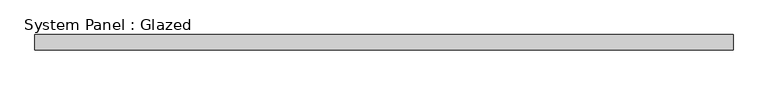
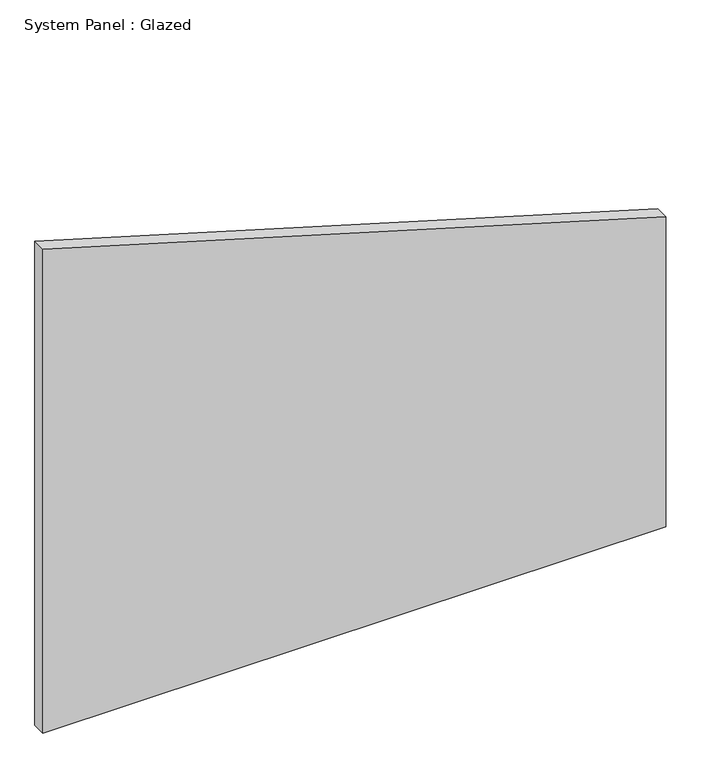
"""IFC4 building model written with IfcOpenShell, lengths in millimetres: plate geometry, System Panel : Glazed."""

from ifc_helpers import new_model, si_unit, frame, origin, place, context, project, spatial, polyline, outline, extrude, source, transform, mapped, element, save


def system_panel_glazed_da460f98(model_context):
    return source(origin(), model_context, "Body", "SweptSolid", [
        extrude(outline(polyline([(0.0, -577.85), (0.0, 577.85), (608.1698719, 577.85), (949.099362, -577.85), (0.0, -577.85)])), frame((0.0, 19.05, 0.0), z_axis=(0.0, 1.0, 0.0), x_axis=(0.0, 0.0, 1.0)), (0.0, 0.0, 1.0), 25.4),
    ])


if __name__ == "__main__":
    model = new_model("IFC4")
    model_context = context("Model", 3, world=origin())
    ifc_project = project(units=[si_unit("LENGTHUNIT", "METRE", prefix="MILLI")], contexts=[model_context])
    site = spatial("IfcSite", under=ifc_project)
    building = spatial("IfcBuilding", under=site)
    placement = place(None, origin())
    system_panel_glazed_shape = system_panel_glazed_da460f98(model_context)
    element("IfcPlate", 1, ObjectType="System Panel : Glazed", at=placement, inside=building, context=model_context, shape_type="MappedRepresentation", body=[
        mapped(system_panel_glazed_shape, transform((0.0, 0.0, 0.0), x_axis=(1.0, 0.0, 0.0), y_axis=(0.0, 1.0, 0.0), z_axis=(0.0, 0.0, 1.0))),
    ])
    save(model, "model.ifc")
